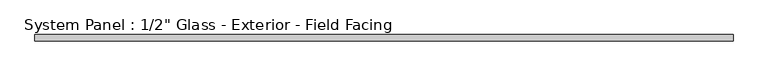
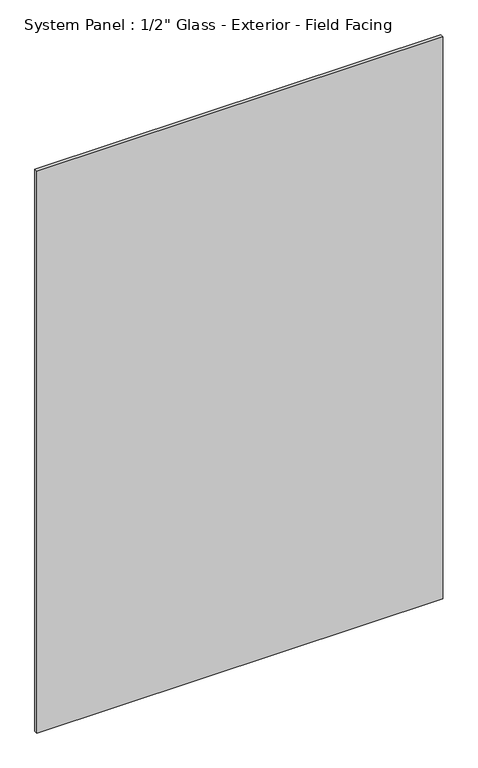
"""IFC4 building model written with IfcOpenShell, lengths in millimetres: plate geometry."""

from ifc_helpers import new_model, si_unit, origin, origin_with_axes, place, context, project, spatial, polyline, outline, extrude, source, transform, mapped, element, save


def plate_94f217d6(model_context):
    return source(origin(), model_context, "Body", "SweptSolid", [
        extrude(outline(polyline([(759.8845358, -11.55), (-759.8845358, -11.55), (-759.8845358, 1.95), (759.8845358, 1.95), (759.8845358, -11.55)])), origin_with_axes(), (0.0, 0.0, 1.0), 2223.15),
    ])


if __name__ == "__main__":
    model = new_model("IFC4")
    model_context = context("Model", 3, world=origin())
    ifc_project = project(units=[si_unit("LENGTHUNIT", "METRE", prefix="MILLI")], contexts=[model_context])
    site = spatial("IfcSite", under=ifc_project)
    building = spatial("IfcBuilding", under=site)
    placement = place(None, origin())
    plate_shape = plate_94f217d6(model_context)
    element("IfcPlate", 1, ObjectType="System Panel : 1/2\" Glass - Exterior - Field Facing", at=placement, inside=building, context=model_context, shape_type="MappedRepresentation", body=[
        mapped(plate_shape, transform((0.0, 0.0, 0.0), x_axis=(1.0, 0.0, 0.0), y_axis=(0.0, 1.0, 0.0), z_axis=(0.0, 0.0, 1.0))),
    ])
    save(model, "model.ifc")
